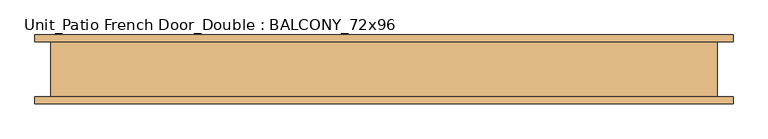
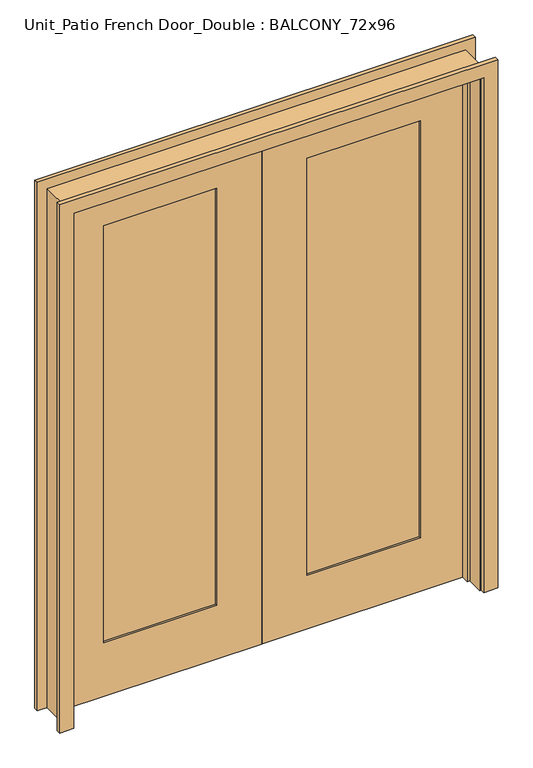
"""IFC4 building model written with IfcOpenShell, lengths in millimetres: door geometry, Unit_Patio French Door_Double : BALCONY_72x96."""

from ifc_helpers import new_model, si_unit, frame, origin, place, context, project, spatial, polyline, outline, extrude, faceted_brep, source, transform, mapped, element, save


def unit_patio_french_door_double_balcony_72x96_469dd555(model_context):
    return source(origin(), model_context, "Body", "SolidModel", [
        extrude(outline(polyline([(0.0, 914.4), (2438.4, 914.4), (2438.4, 3.175), (0.0, 3.175), (0.0, 914.4)]), holes=[polyline([(2235.2, 203.2), (2235.2, 711.2), (254.0, 711.2), (254.0, 203.2), (2235.2, 203.2)])]), frame((0.0, 30.1625, 0.0), z_axis=(0.0, 1.0, 0.0), x_axis=(0.0, 0.0, 1.0)), (0.0, 0.0, 1.0), 44.45),
        extrude(outline(polyline([(2438.4, -914.4), (0.0, -914.4), (0.0, -3.175), (2438.4, -3.175), (2438.4, -914.4)]), holes=[polyline([(254.0, -203.2), (254.0, -711.2), (2235.2, -711.2), (2235.2, -203.2), (254.0, -203.2)])]), frame((0.0, 30.1625, 0.0), z_axis=(0.0, 1.0, 0.0), x_axis=(0.0, 0.0, 1.0)), (0.0, 0.0, 1.0), 44.45),
        extrude(outline(polyline([(203.2, 65.0875), (711.2, 65.0875), (711.2, 39.6875), (203.2, 39.6875), (203.2, 65.0875)])), frame((0.0, 0.0, 254.0), z_axis=(0.0, 0.0, 1.0), x_axis=(1.0, 0.0, 0.0)), (0.0, 0.0, 1.0), 1981.2),
        extrude(outline(polyline([(-711.2, 65.0875), (-203.2, 65.0875), (-203.2, 39.6875), (-711.2, 39.6875), (-711.2, 65.0875)])), frame((0.0, 0.0, 254.0), z_axis=(0.0, 0.0, 1.0), x_axis=(1.0, 0.0, 0.0)), (0.0, 0.0, 1.0), 1981.2),
        faceted_brep([(939.8, 74.6125, 0.0), (939.8, -80.9625, 0.0), (914.4, -80.9625, 0.0), (914.4, -4.7625, 0.0), (901.7, -4.7625, 0.0), (901.7, 30.1625, 0.0), (914.4, 30.1625, 0.0), (914.4, 74.6125, 0.0), (939.8, 74.6125, 2463.8), (939.8, -80.9625, 2463.8), (-939.8, -80.9625, 2463.8), (-939.8, -80.9625, 0.0), (-914.4, -80.9625, 0.0), (-914.4, -80.9625, 2438.4), (914.4, -80.9625, 2438.4), (914.4, -4.7625, 2438.4), (-914.4, -4.7625, 2438.4), (-914.4, -4.7625, 0.0), (-901.7, -4.7625, 0.0), (-901.7, -4.7625, 2425.7), (901.7, -4.7625, 2425.7), (901.7, 30.1625, 2425.7), (-901.7, 30.1625, 2425.7), (-901.7, 30.1625, 0.0), (-914.4, 30.1625, 0.0), (-914.4, 30.1625, 2438.4), (914.4, 30.1625, 2438.4), (914.4, 74.6125, 2438.4), (-914.4, 74.6125, 2438.4), (-914.4, 74.6125, 0.0), (-939.8, 74.6125, 0.0), (-939.8, 74.6125, 2463.8)], [[[0, 1, 2, 3, 4, 5, 6, 7]], [[1, 0, 8, 9]], [[2, 1, 9, 10, 11, 12, 13, 14]], [[3, 2, 14, 15]], [[4, 3, 15, 16, 17, 18, 19, 20]], [[5, 4, 20, 21]], [[6, 5, 21, 22, 23, 24, 25, 26]], [[7, 6, 26, 27]], [[0, 7, 27, 28, 29, 30, 31, 8]], [[9, 8, 31, 10]], [[15, 14, 13, 16]], [[21, 20, 19, 22]], [[27, 26, 25, 28]], [[30, 29, 24, 23, 18, 17, 12, 11]], [[10, 31, 30, 11]], [[16, 13, 12, 17]], [[22, 19, 18, 23]], [[28, 25, 24, 29]]]),
        extrude(outline(polyline([(0.0, 920.75), (0.0, 984.25), (2508.25, 984.25), (2508.25, -984.25), (0.0, -984.25), (0.0, -920.75), (2444.75, -920.75), (2444.75, 920.75), (0.0, 920.75)])), frame((0.0, -100.0125, 0.0), z_axis=(0.0, 1.0, 0.0), x_axis=(0.0, 0.0, 1.0)), (0.0, 0.0, 1.0), 19.05),
        extrude(outline(polyline([(0.0, 920.75), (0.0, 984.25), (2508.25, 984.25), (2508.25, -984.25), (0.0, -984.25), (0.0, -920.75), (2444.75, -920.75), (2444.75, 920.75), (0.0, 920.75)])), frame((0.0, 74.6125, 0.0), z_axis=(0.0, 1.0, 0.0), x_axis=(0.0, 0.0, 1.0)), (0.0, 0.0, 1.0), 19.05),
    ])


if __name__ == "__main__":
    model = new_model("IFC4")
    model_context = context("Model", 3, world=origin())
    ifc_project = project(units=[si_unit("LENGTHUNIT", "METRE", prefix="MILLI")], contexts=[model_context])
    site = spatial("IfcSite", under=ifc_project)
    building = spatial("IfcBuilding", under=site)
    placement = place(None, origin())
    unit_patio_french_door_double_balcony_72x96_shape = unit_patio_french_door_double_balcony_72x96_469dd555(model_context)
    element("IfcDoor", 1, ObjectType="Unit_Patio French Door_Double : BALCONY_72x96", at=placement, inside=building, context=model_context, shape_type="MappedRepresentation", body=[
        mapped(unit_patio_french_door_double_balcony_72x96_shape, transform((0.0, 0.0, 0.0), x_axis=(1.0, 0.0, 0.0), y_axis=(0.0, 1.0, 0.0), z_axis=(0.0, 0.0, 1.0))),
    ])
    save(model, "model.ifc")
